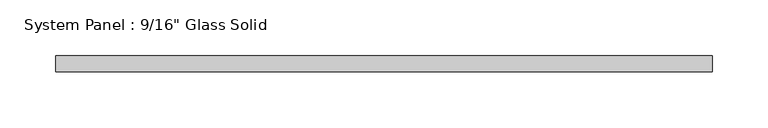
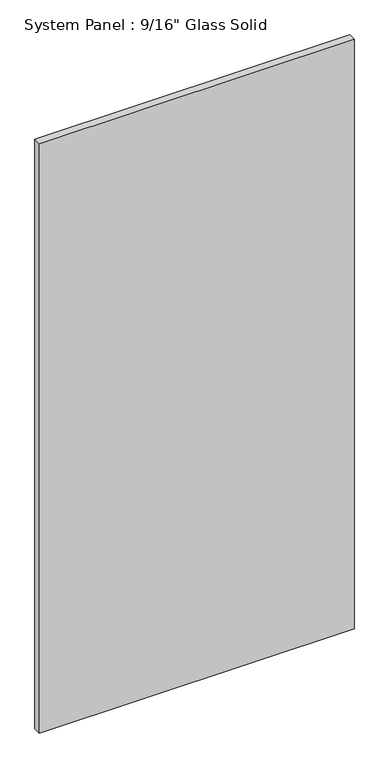
"""IFC4 building model written with IfcOpenShell, lengths in millimetres: plate geometry."""

from ifc_helpers import new_model, si_unit, origin, origin_with_axes, place, context, project, spatial, polyline, outline, extrude, source, transform, mapped, element, save


def plate_3bbf0f35(model_context):
    return source(origin(), model_context, "Body", "SweptSolid", [
        extrude(outline(polyline([(293.6883852, -7.14375), (-293.6883852, -7.14375), (-293.6883852, 7.14375), (293.6883852, 7.14375), (293.6883852, -7.14375)])), origin_with_axes(), (0.0, 0.0, 1.0), 1163.2094027),
    ])


if __name__ == "__main__":
    model = new_model("IFC4")
    model_context = context("Model", 3, world=origin())
    ifc_project = project(units=[si_unit("LENGTHUNIT", "METRE", prefix="MILLI")], contexts=[model_context])
    site = spatial("IfcSite", under=ifc_project)
    building = spatial("IfcBuilding", under=site)
    placement = place(None, origin())
    plate_shape = plate_3bbf0f35(model_context)
    element("IfcPlate", 1, ObjectType="System Panel : 9/16\" Glass Solid", at=placement, inside=building, context=model_context, shape_type="MappedRepresentation", body=[
        mapped(plate_shape, transform((0.0, 0.0, 0.0), x_axis=(1.0, 0.0, 0.0), y_axis=(0.0, 1.0, 0.0), z_axis=(0.0, 0.0, 1.0))),
    ])
    save(model, "model.ifc")
